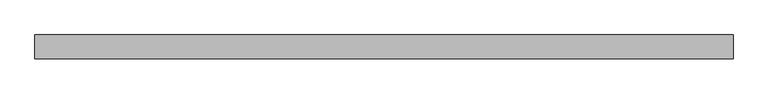
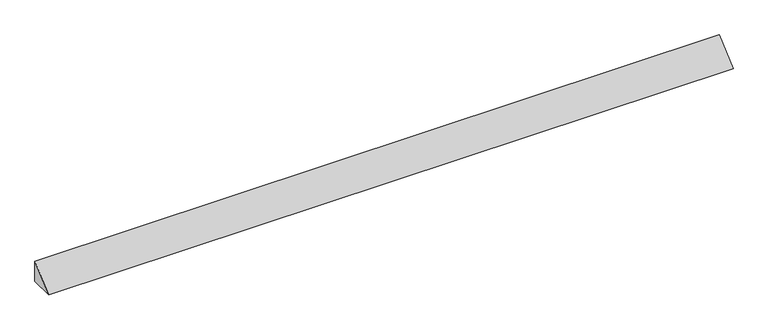
"""IFC4 building model written with IfcOpenShell, lengths in millimetres: ramp geometry."""

from ifc_helpers import new_model, si_unit, frame, origin, place, context, project, spatial, polyline, outline, extrude, source, transform, mapped, element, save


def ramp_051ffb03(model_context):
    return source(origin(), model_context, "Body", "SweptSolid", [
        extrude(outline(polyline([(1450.6810869, 4800.0), (1550.6810869, 4890.0900901), (1550.6810869, 4800.0), (1450.6810869, 4800.0)])), frame((-6.8325478, 0.0, 0.0), z_axis=(1.0, 0.0, 0.0), x_axis=(0.0, 1.0, 0.0)), (0.0, 0.0, 1.0), 2905.0),
    ])


if __name__ == "__main__":
    model = new_model("IFC4")
    model_context = context("Model", 3, world=origin())
    ifc_project = project(units=[si_unit("LENGTHUNIT", "METRE", prefix="MILLI")], contexts=[model_context])
    site = spatial("IfcSite", under=ifc_project)
    building = spatial("IfcBuilding", under=site)
    placement = place(None, origin())
    ramp_shape = ramp_051ffb03(model_context)
    element("IfcRamp", 1, at=placement, inside=building, context=model_context, shape_type="MappedRepresentation", body=[
        mapped(ramp_shape, transform((0.0, 0.0, 0.0), x_axis=(1.0, 0.0, 0.0), y_axis=(0.0, 1.0, 0.0), z_axis=(0.0, 0.0, 1.0))),
    ])
    save(model, "model.ifc")
